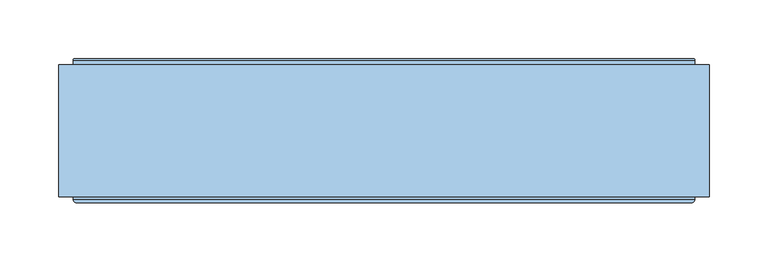
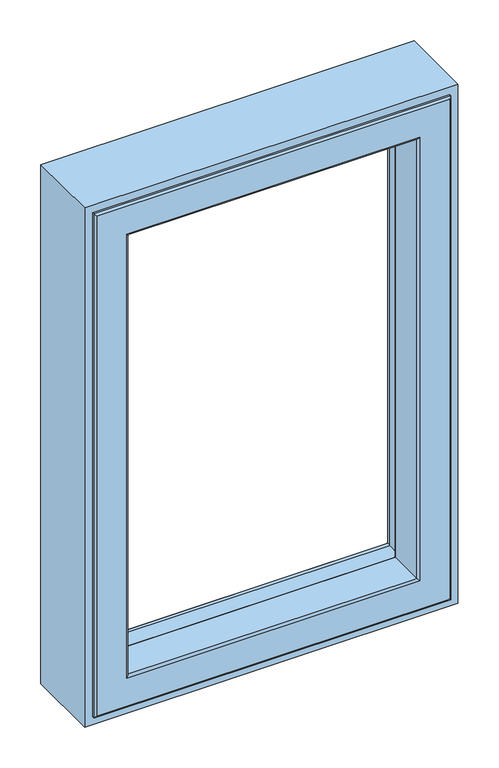
"""IFC4 building model written with IfcOpenShell, lengths in millimetres: window geometry."""

from ifc_helpers import new_model, si_unit, frame, origin, place, context, project, spatial, polyline, ellipse_curve, outline, extrude, source, transform, mapped, element, save
from ifc_brep_helpers import plane_surface, cylinder_surface, revolved_surface, advanced_brep


def window_025b129e(model_context):
    return source(origin(), model_context, "Body", "SolidModel", [
        advanced_brep(
        [(-215.5, 91.0, 1551.5), (-214.0, 89.5, 1550.0), (-214.0, 89.5, 862.0), (-215.5, 91.0, 860.5), (-214.0, 35.0, 1550.0), (-214.0, 35.0, 862.0), (214.0, 89.5, 862.0), (215.5, 91.0, 860.5), (230.6498733, 91.0, 1566.6498733), (230.6498733, 91.0, 845.3501267), (-230.6498733, 91.0, 845.3501267), (-230.6498733, 91.0, 1566.6498733), (215.5, 91.0, 1551.5), (-232.1386925, 92.317196, 1568.1386925), (-232.1386925, 92.317196, 843.8613075), (232.1386925, 92.317196, 843.8613075), (-238.7857488, 146.453125, 1574.7857488), (-238.7857488, 146.453125, 837.2142512), (238.7857488, 146.453125, 837.2142512), (239.6, 146.453125, 1575.6), (239.6, 146.453125, 836.4), (-239.6, 146.453125, 836.4), (-239.6, 146.453125, 1575.6), (238.7857488, 146.453125, 1574.7857488), (-239.6, 153.0, 1575.6), (-239.6, 153.0, 836.4), (239.6, 153.0, 836.4), (-240.6, 154.0, 1576.6), (-240.6, 154.0, 835.4), (240.6, 154.0, 835.4), (263.0, 154.0, 1599.0), (263.0, 154.0, 813.0), (-263.0, 154.0, 813.0), (-263.0, 154.0, 1599.0), (240.6, 154.0, 1576.6), (-264.0, 153.0, 1600.0), (-264.0, 153.0, 812.0), (264.0, 153.0, 812.0), (-264.0, 35.0, 1600.0), (-264.0, 35.0, 812.0), (264.0, 35.0, 812.0), (-261.0, 32.0, 1597.0), (-261.0, 32.0, 815.0), (261.0, 32.0, 815.0), (261.0, 32.0, 1597.0), (217.0, 32.0, 1553.0), (217.0, 32.0, 859.0), (-217.0, 32.0, 859.0), (-217.0, 32.0, 1553.0), (214.0, 35.0, 862.0), (214.0, 89.5, 1550.0), (232.1386925, 92.317196, 1568.1386925), (239.6, 153.0, 1575.6), (264.0, 153.0, 1600.0), (264.0, 35.0, 1600.0), (214.0, 35.0, 1550.0)],
        [
            (0, 1, ellipse_curve(frame((-215.5, 89.5, 1551.5), z_axis=(-0.7071067811865475, 0.0, -0.7071067811865475), x_axis=(-0.7071067811865474, 0.0, 0.7071067811865476)), 2.1213203, 1.5)),
            (1, 2),
            (2, 3, ellipse_curve(frame((-215.5, 89.5, 860.5), z_axis=(-0.7071067811865475, 0.0, 0.7071067811865475), x_axis=(0.7071067811865474, 0.0, 0.7071067811865476)), 2.1213203, 1.5)),
            (3, 0),
            (1, 4),
            (4, 5),
            (5, 2),
            (2, 6),
            (6, 7, ellipse_curve(frame((215.5, 89.5, 860.5), z_axis=(-0.7071067811865475, 0.0, -0.7071067811865475), x_axis=(-0.7071067811865476, 0.0, 0.7071067811865474)), 2.1213203, 1.5)),
            (7, 3),
            (8, 9),
            (9, 10),
            (10, 11),
            (11, 8),
            (7, 12),
            (12, 0),
            (13, 11, ellipse_curve(frame((-230.6498733, 92.5, 1566.6498733), z_axis=(0.7071067811865475, 0.0, 0.7071067811865475), x_axis=(0.7071067811865474, 0.0, -0.7071067811865476)), 2.1213203, 1.5)),
            (10, 14, ellipse_curve(frame((-230.6498733, 92.5, 845.3501267), z_axis=(0.7071067811865475, 0.0, -0.7071067811865475), x_axis=(-0.7071067811865474, 0.0, -0.7071067811865476)), 2.1213203, 1.5)),
            (14, 13),
            (9, 15, ellipse_curve(frame((230.6498733, 92.5, 845.3501267), z_axis=(0.7071067811865475, 0.0, 0.7071067811865475), x_axis=(0.7071067811865476, 0.0, -0.7071067811865474)), 2.1213203, 1.5)),
            (15, 14),
            (16, 13),
            (14, 17),
            (17, 16),
            (15, 18),
            (18, 17),
            (19, 20),
            (20, 21),
            (21, 22),
            (22, 19),
            (18, 23),
            (23, 16),
            (24, 22),
            (21, 25),
            (25, 24),
            (20, 26),
            (26, 25),
            (27, 24, ellipse_curve(frame((-240.6, 153.0, 1576.6), z_axis=(-0.7071067811865475, 0.0, -0.7071067811865475), x_axis=(-0.7071067811865474, 0.0, 0.7071067811865476)), 1.4142136, 1.0)),
            (25, 28, ellipse_curve(frame((-240.6, 153.0, 835.4), z_axis=(-0.7071067811865475, 0.0, 0.7071067811865475), x_axis=(0.7071067811865474, 0.0, 0.7071067811865476)), 1.4142136, 1.0)),
            (28, 27),
            (26, 29, ellipse_curve(frame((240.6, 153.0, 835.4), z_axis=(-0.7071067811865475, 0.0, -0.7071067811865475), x_axis=(-0.7071067811865476, 0.0, 0.7071067811865474)), 1.4142136, 1.0)),
            (29, 28),
            (30, 31),
            (31, 32),
            (32, 33),
            (33, 30),
            (29, 34),
            (34, 27),
            (35, 33, ellipse_curve(frame((-263.0, 153.0, 1599.0), z_axis=(-0.7071067811865475, 0.0, -0.7071067811865475), x_axis=(-0.7071067811865474, 0.0, 0.7071067811865476)), 1.4142136, 1.0)),
            (32, 36, ellipse_curve(frame((-263.0, 153.0, 813.0), z_axis=(-0.7071067811865475, 0.0, 0.7071067811865475), x_axis=(0.7071067811865474, 0.0, 0.7071067811865476)), 1.4142136, 1.0)),
            (36, 35),
            (31, 37, ellipse_curve(frame((263.0, 153.0, 813.0), z_axis=(-0.7071067811865475, 0.0, -0.7071067811865475), x_axis=(-0.7071067811865476, 0.0, 0.7071067811865474)), 1.4142136, 1.0)),
            (37, 36),
            (38, 35),
            (36, 39),
            (39, 38),
            (37, 40),
            (40, 39),
            (41, 38, ellipse_curve(frame((-261.0, 35.0, 1597.0), z_axis=(-0.7071067811865475, 0.0, -0.7071067811865475), x_axis=(-0.7071067811865474, 0.0, 0.7071067811865476)), 4.2426407, 3.0)),
            (39, 42, ellipse_curve(frame((-261.0, 35.0, 815.0), z_axis=(-0.7071067811865475, 0.0, 0.7071067811865475), x_axis=(0.7071067811865474, 0.0, 0.7071067811865476)), 4.2426407, 3.0)),
            (42, 41),
            (40, 43, ellipse_curve(frame((261.0, 35.0, 815.0), z_axis=(-0.7071067811865475, 0.0, -0.7071067811865475), x_axis=(-0.7071067811865476, 0.0, 0.7071067811865474)), 4.2426407, 3.0)),
            (43, 42),
            (43, 44),
            (44, 41),
            (45, 46),
            (46, 47),
            (47, 48),
            (48, 45),
            (4, 48, ellipse_curve(frame((-217.0, 35.0, 1553.0), z_axis=(-0.7071067811865475, 0.0, -0.7071067811865475), x_axis=(-0.7071067811865474, 0.0, 0.7071067811865476)), 4.2426407, 3.0)),
            (47, 5, ellipse_curve(frame((-217.0, 35.0, 859.0), z_axis=(-0.7071067811865475, 0.0, 0.7071067811865475), x_axis=(0.7071067811865474, 0.0, 0.7071067811865476)), 4.2426407, 3.0)),
            (46, 49, ellipse_curve(frame((217.0, 35.0, 859.0), z_axis=(-0.7071067811865475, 0.0, -0.7071067811865475), x_axis=(-0.7071067811865476, 0.0, 0.7071067811865474)), 4.2426407, 3.0)),
            (49, 5),
            (49, 6),
            (6, 50),
            (50, 12, ellipse_curve(frame((215.5, 89.5, 1551.5), z_axis=(0.7071067811865475, 0.0, -0.7071067811865475), x_axis=(-0.7071067811865474, 0.0, -0.7071067811865476)), 2.1213203, 1.5)),
            (8, 51, ellipse_curve(frame((230.6498733, 92.5, 1566.6498733), z_axis=(-0.7071067811865475, 0.0, 0.7071067811865475), x_axis=(0.7071067811865474, 0.0, 0.7071067811865476)), 2.1213203, 1.5)),
            (51, 15),
            (51, 23),
            (19, 52),
            (52, 26),
            (52, 34, ellipse_curve(frame((240.6, 153.0, 1576.6), z_axis=(0.7071067811865475, 0.0, -0.7071067811865475), x_axis=(-0.7071067811865474, 0.0, -0.7071067811865476)), 1.4142136, 1.0)),
            (30, 53, ellipse_curve(frame((263.0, 153.0, 1599.0), z_axis=(0.7071067811865475, 0.0, -0.7071067811865475), x_axis=(-0.7071067811865474, 0.0, -0.7071067811865476)), 1.4142136, 1.0)),
            (53, 37),
            (53, 54),
            (54, 40),
            (54, 44, ellipse_curve(frame((261.0, 35.0, 1597.0), z_axis=(0.7071067811865475, 0.0, -0.7071067811865475), x_axis=(-0.7071067811865474, 0.0, -0.7071067811865476)), 4.2426407, 3.0)),
            (45, 55, ellipse_curve(frame((217.0, 35.0, 1553.0), z_axis=(0.7071067811865475, 0.0, -0.7071067811865475), x_axis=(-0.7071067811865474, 0.0, -0.7071067811865476)), 4.2426407, 3.0)),
            (55, 49),
            (55, 50),
            (50, 1),
            (13, 51),
            (24, 52),
            (35, 53),
            (38, 54),
            (4, 55),
        ],
        [
            cylinder_surface(frame((-215.5, 89.5, 1612.0), z_axis=(0.0, 0.0, 1.0), x_axis=(0.0, 1.0, 0.0)), 1.5),
            plane_surface(frame((-214.0, 35.0, 1550.0), z_axis=(1.0, 0.0, 0.0), x_axis=(0.0, 0.0, -1.0))),
            cylinder_surface(frame((-276.0, 89.5, 860.5), z_axis=(-1.0, 0.0, 0.0), x_axis=(0.0, 1.0, 0.0)), 1.5),
            plane_surface(frame((215.5, 91.0, 860.5), z_axis=(0.0, 1.0, 0.0), x_axis=(0.0, 0.0, 1.0))),
            revolved_surface(polyline([(-230.6498733, 94.0, 843.8501267308013), (-230.6498733, 94.0, 1568.1498732691987)]), (-230.6498733, 92.5, 1612.0), (0.0, 0.0, -1.0)),
            revolved_surface(polyline([(232.14987326919862, 94.0, 845.3501267), (-232.14987326919868, 94.0, 845.3501267)]), (-276.0, 92.5, 845.3501267), (1.0, 0.0, 0.0)),
            plane_surface(frame((-232.1386925, 92.317196, 1568.1386925), z_axis=(0.9925461516413234, 0.12186934340513697, 0.0), x_axis=(0.0, 0.0, -1.0))),
            plane_surface(frame((-232.1386925, 92.317196, 843.8613075), z_axis=(0.0, 0.12186934340513697, 0.9925461516413234), x_axis=(1.0, 0.0, 0.0))),
            plane_surface(frame((238.7857488, 146.453125, 837.2142512), z_axis=(0.0, 1.0, 0.0), x_axis=(0.0, 0.0, 1.0))),
            plane_surface(frame((-239.6, 146.453125, 1575.6), z_axis=(1.0, 0.0, 0.0), x_axis=(0.0, 0.0, -1.0))),
            plane_surface(frame((-239.6, 146.453125, 836.4), z_axis=(0.0, 0.0, 1.0), x_axis=(1.0, 0.0, 0.0))),
            cylinder_surface(frame((-240.6, 153.0, 1612.0), z_axis=(0.0, 0.0, 1.0), x_axis=(0.0, 1.0, 0.0)), 1.0),
            cylinder_surface(frame((-276.0, 153.0, 835.4), z_axis=(-1.0, 0.0, 0.0), x_axis=(0.0, 1.0, 0.0)), 1.0),
            plane_surface(frame((240.6, 154.0, 835.4), z_axis=(0.0, 1.0, 0.0), x_axis=(0.0, 0.0, 1.0))),
            cylinder_surface(frame((-263.0, 153.0, 1612.0), z_axis=(0.0, 0.0, 1.0), x_axis=(0.0, 1.0, 0.0)), 1.0),
            cylinder_surface(frame((-276.0, 153.0, 813.0), z_axis=(-1.0, 0.0, 0.0), x_axis=(0.0, 1.0, 0.0)), 1.0),
            plane_surface(frame((-264.0, 153.0, 1600.0), z_axis=(-1.0, 0.0, 0.0), x_axis=(0.0, 0.0, -1.0))),
            plane_surface(frame((-264.0, 153.0, 812.0), z_axis=(0.0, 0.0, -1.0), x_axis=(1.0, 0.0, 0.0))),
            cylinder_surface(frame((-261.0, 35.0, 1612.0), z_axis=(0.0, 0.0, 1.0), x_axis=(0.0, 1.0, 0.0)), 3.0),
            cylinder_surface(frame((-276.0, 35.0, 815.0), z_axis=(-1.0, 0.0, 0.0), x_axis=(0.0, 1.0, 0.0)), 3.0),
            plane_surface(frame((261.0, 32.0, 815.0), z_axis=(0.0, -1.0, 0.0), x_axis=(0.0, 0.0, 1.0))),
            cylinder_surface(frame((-217.0, 35.0, 1612.0), z_axis=(0.0, 0.0, 1.0), x_axis=(0.0, 1.0, 0.0)), 3.0),
            cylinder_surface(frame((-276.0, 35.0, 859.0), z_axis=(-1.0, 0.0, 0.0), x_axis=(0.0, 1.0, 0.0)), 3.0),
            plane_surface(frame((-214.0, 35.0, 862.0), z_axis=(0.0, 0.0, 1.0), x_axis=(1.0, 0.0, 0.0))),
            cylinder_surface(frame((215.5, 89.5, 800.0), z_axis=(0.0, 0.0, -1.0), x_axis=(0.0, 1.0, 0.0)), 1.5),
            revolved_surface(polyline([(230.6498733, 94.0, 1568.149873269199), (230.6498733, 94.0, 843.8501267308013)]), (230.6498733, 92.5, 800.0), (0.0, 0.0, 1.0)),
            plane_surface(frame((232.1386925, 92.317196, 843.8613075), z_axis=(-0.9925461516413234, 0.12186934340513697, 0.0), x_axis=(0.0, 0.0, 1.0))),
            plane_surface(frame((239.6, 146.453125, 836.4), z_axis=(-1.0, 0.0, 0.0), x_axis=(0.0, 0.0, 1.0))),
            cylinder_surface(frame((240.6, 153.0, 800.0), z_axis=(0.0, 0.0, -1.0), x_axis=(0.0, 1.0, 0.0)), 1.0),
            cylinder_surface(frame((263.0, 153.0, 800.0), z_axis=(0.0, 0.0, -1.0), x_axis=(0.0, 1.0, 0.0)), 1.0),
            plane_surface(frame((264.0, 153.0, 812.0), z_axis=(1.0, 0.0, 0.0), x_axis=(0.0, 0.0, 1.0))),
            cylinder_surface(frame((261.0, 35.0, 800.0), z_axis=(0.0, 0.0, -1.0), x_axis=(0.0, 1.0, 0.0)), 3.0),
            cylinder_surface(frame((217.0, 35.0, 800.0), z_axis=(0.0, 0.0, -1.0), x_axis=(0.0, 1.0, 0.0)), 3.0),
            plane_surface(frame((214.0, 35.0, 862.0), z_axis=(-1.0, 0.0, 0.0), x_axis=(0.0, 0.0, 1.0))),
            cylinder_surface(frame((276.0, 89.5, 1551.5), z_axis=(1.0, 0.0, 0.0), x_axis=(0.0, 1.0, 0.0)), 1.5),
            revolved_surface(polyline([(-232.14987326919862, 94.0, 1566.6498733), (232.14987326919868, 94.0, 1566.6498733)]), (276.0, 92.5, 1566.6498733), (-1.0, 0.0, 0.0)),
            plane_surface(frame((232.1386925, 92.317196, 1568.1386925), z_axis=(0.0, 0.12186934340513697, -0.9925461516413234), x_axis=(-1.0, 0.0, 0.0))),
            plane_surface(frame((239.6, 146.453125, 1575.6), z_axis=(0.0, 0.0, -1.0), x_axis=(-1.0, 0.0, 0.0))),
            cylinder_surface(frame((276.0, 153.0, 1576.6), z_axis=(1.0, 0.0, 0.0), x_axis=(0.0, 1.0, 0.0)), 1.0),
            cylinder_surface(frame((276.0, 153.0, 1599.0), z_axis=(1.0, 0.0, 0.0), x_axis=(0.0, 1.0, 0.0)), 1.0),
            plane_surface(frame((264.0, 153.0, 1600.0), z_axis=(0.0, 0.0, 1.0), x_axis=(-1.0, 0.0, 0.0))),
            cylinder_surface(frame((276.0, 35.0, 1597.0), z_axis=(1.0, 0.0, 0.0), x_axis=(0.0, 1.0, 0.0)), 3.0),
            cylinder_surface(frame((276.0, 35.0, 1553.0), z_axis=(1.0, 0.0, 0.0), x_axis=(0.0, 1.0, 0.0)), 3.0),
            plane_surface(frame((214.0, 35.0, 1550.0), z_axis=(0.0, 0.0, -1.0), x_axis=(-1.0, 0.0, 0.0))),
        ],
        [
            (0, [[1, 2, 3, 4]]),
            (1, [[5, 6, 7, -2]]),
            (2, [[-3, 8, 9, 10]]),
            (3, [[11, 12, 13, 14], [-4, -10, 15, 16]]),
            (4, [[17, -13, 18, 19]]),
            (5, [[-18, -12, 20, 21]]),
            (6, [[22, -19, 23, 24]]),
            (7, [[-23, -21, 25, 26]]),
            (8, [[27, 28, 29, 30], [-24, -26, 31, 32]]),
            (9, [[33, -29, 34, 35]]),
            (10, [[-34, -28, 36, 37]]),
            (11, [[38, -35, 39, 40]]),
            (12, [[-39, -37, 41, 42]]),
            (13, [[43, 44, 45, 46], [-40, -42, 47, 48]]),
            (14, [[49, -45, 50, 51]]),
            (15, [[-50, -44, 52, 53]]),
            (16, [[54, -51, 55, 56]]),
            (17, [[-55, -53, 57, 58]]),
            (18, [[59, -56, 60, 61]]),
            (19, [[-60, -58, 62, 63]]),
            (20, [[-61, -63, 64, 65], [66, 67, 68, 69]]),
            (21, [[70, -68, 71, -6]]),
            (22, [[-71, -67, 72, 73]]),
            (23, [[-7, -73, 74, -8]]),
            (24, [[-9, 75, 76, -15]]),
            (25, [[-20, -11, 77, 78]]),
            (26, [[-25, -78, 79, -31]]),
            (27, [[-36, -27, 80, 81]]),
            (28, [[-41, -81, 82, -47]]),
            (29, [[-52, -43, 83, 84]]),
            (30, [[-57, -84, 85, 86]]),
            (31, [[-62, -86, 87, -64]]),
            (32, [[-72, -66, 88, 89]]),
            (33, [[-74, -89, 90, -75]]),
            (34, [[-76, 91, -1, -16]]),
            (35, [[-77, -14, -17, 92]]),
            (36, [[-79, -92, -22, -32]]),
            (37, [[-80, -30, -33, 93]]),
            (38, [[-82, -93, -38, -48]]),
            (39, [[-83, -46, -49, 94]]),
            (40, [[-85, -94, -54, 95]]),
            (41, [[-87, -95, -59, -65]]),
            (42, [[-88, -69, -70, 96]]),
            (43, [[-90, -96, -5, -91]]),
        ],
    ),
        extrude(outline(polyline([(1612.0, -276.0), (800.0, -276.0), (800.0, 276.0), (1612.0, 276.0), (1612.0, -276.0)]), holes=[polyline([(1600.0, 264.0), (812.0, 264.0), (812.0, -264.0), (1600.0, -264.0), (1600.0, 264.0)])]), frame((0.0, 37.0, 0.0), z_axis=(0.0, 1.0, 0.0), x_axis=(0.0, 0.0, 1.0)), (0.0, 0.0, 1.0), 112.0),
    ])


if __name__ == "__main__":
    model = new_model("IFC4")
    model_context = context("Model", 3, world=origin())
    ifc_project = project(units=[si_unit("LENGTHUNIT", "METRE", prefix="MILLI")], contexts=[model_context])
    site = spatial("IfcSite", under=ifc_project)
    building = spatial("IfcBuilding", under=site)
    placement = place(None, origin())
    window_shape = window_025b129e(model_context)
    element("IfcWindow", 1, at=placement, inside=building, context=model_context, shape_type="MappedRepresentation", body=[
        mapped(window_shape, transform((0.0, 0.0, 0.0), x_axis=(1.0, 0.0, 0.0), y_axis=(0.0, 1.0, 0.0), z_axis=(0.0, 0.0, 1.0))),
    ])
    save(model, "model.ifc")
